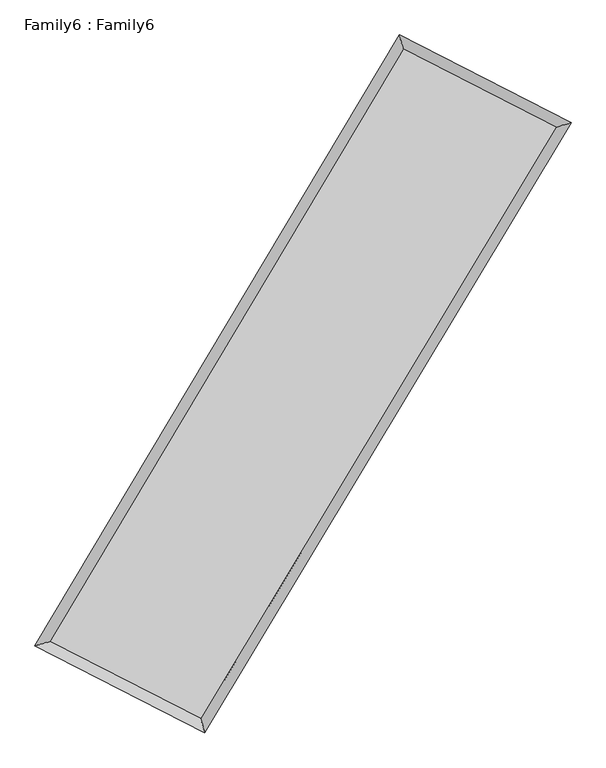
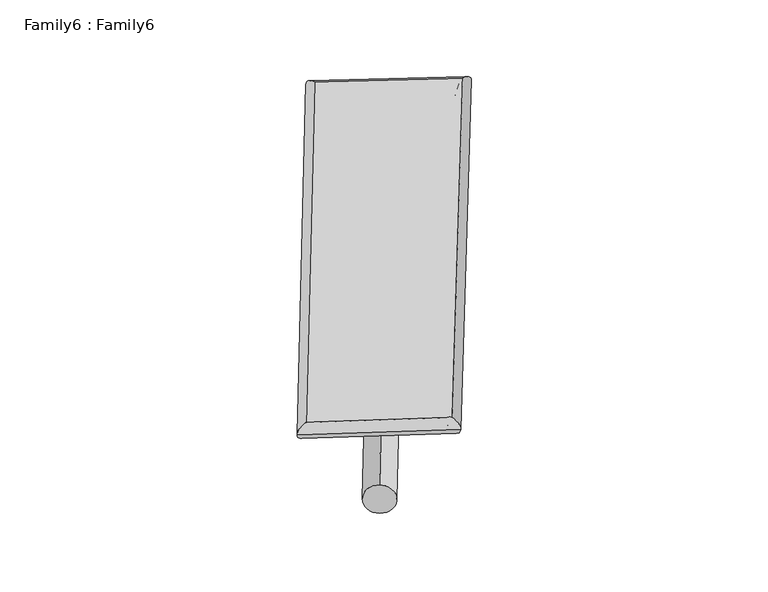
"""IFC4 building model written with IfcOpenShell, lengths in millimetres: plate geometry, Family6 : Family6."""

from ifc_helpers import new_model, si_unit, point, frame, origin, origin_2d, place, context, project, spatial, circle_curve, ellipse_curve, trimmed, segment, composite_curve, outline, extrude, source, transform, mapped, element, save
from ifc_brep_helpers import plane_surface, cylinder_surface, spline_surface, advanced_brep


def family6_family6_5f91de89(model_context):
    return source(origin(), model_context, "Body", "SolidModel", [
        extrude(outline(composite_curve([segment(trimmed(circle_curve(origin_2d(), 76.2), [point((-75.4341514, -10.7763073))], [point((75.4341514, 10.7763073))], False, "CARTESIAN"), True, "CONTINUOUS"), segment(trimmed(circle_curve(origin_2d(), 76.2), [point((75.4341514, 10.7763073))], [point((-75.4341514, -10.7763073))], False, "CARTESIAN"), True, "CONTINUOUS")], self_intersect=False)), frame((9144.0, 9144.0, 0.0), z_axis=(0.6775245962626227, 0.6848047570131258, 0.2683334981536295), x_axis=(-0.6765777347355703, 0.7233685867658852, -0.13776957770280931)), (0.0, 0.0, 1.0), 5649.8326427),
        extrude(outline(composite_curve([segment(trimmed(circle_curve(origin_2d(), 76.2), [point((-53.8815368, 53.8815367))], [point((53.8815368, -53.8815367))], False, "CARTESIAN"), True, "CONTINUOUS"), segment(trimmed(circle_curve(origin_2d(), 76.2), [point((53.8815368, -53.8815367))], [point((-53.8815368, 53.8815367))], False, "CARTESIAN"), True, "CONTINUOUS")], self_intersect=False)), frame((9144.0, 9144.0, 0.0), z_axis=(-0.6753762356638977, -0.6868803312944847, 0.2684443159786447), x_axis=(0.6382304034107955, -0.3620133544387516, 0.6794176060201091)), (0.0, 0.0, 1.0), 5646.9376294),
        extrude(outline(composite_curve([segment(trimmed(circle_curve(origin_2d(), 76.2), [point((-53.8815367, -53.8815367))], [point((53.8815367, 53.8815367))], False, "CARTESIAN"), True, "CONTINUOUS"), segment(trimmed(circle_curve(origin_2d(), 76.2), [point((53.8815367, 53.8815367))], [point((-53.8815367, -53.8815367))], False, "CARTESIAN"), True, "CONTINUOUS")], self_intersect=False)), frame((9144.0, 9144.0, 0.0), z_axis=(0.27557645721864454, 0.9200805072778868, 0.2784052376556288), x_axis=(-0.8403203419095524, 0.37122145167556, -0.3950396901437916)), (0.0, 0.0, 1.0), 5491.9772048),
        extrude(outline(composite_curve([segment(trimmed(circle_curve(origin_2d(), 76.2), [point((-75.4341514, 10.7763074))], [point((75.4341514, -10.7763074))], False, "CARTESIAN"), True, "CONTINUOUS"), segment(trimmed(circle_curve(origin_2d(), 76.2), [point((75.4341514, -10.7763074))], [point((-75.4341514, 10.7763074))], False, "CARTESIAN"), True, "CONTINUOUS")], self_intersect=False)), frame((9144.0, 9144.0, 0.0), z_axis=(-0.2785505662988911, -0.9191389670946595, 0.2785554544120967), x_axis=(0.8767200014173767, -0.12492470162678118, 0.46449527235287846)), (0.0, 0.0, 1.0), 5488.8777378),
        advanced_brep(
        [(5115.9324893, 5203.501461, 1516.8778876), (5544.4582211, 5326.9661477, 1517.2128566), (5544.4525524, 5326.9577596, 1514.8987309), (10715.188204, 13996.3447122, 1527.6205193), (10599.7310384, 14397.7776329, 1530.3699185), (5115.9268205, 5203.4930729, 1514.563762), (12757.2259066, 12951.6727146, 1516.1895263), (13186.5752537, 13074.3918254, 1515.8891877), (7557.6922785, 4299.3501942, 1528.7276955), (7672.4477171, 3898.566977, 1529.1859694)],
        [
            (0, 1, ellipse_curve(frame((5330.1925208, 5265.2296103, 1515.8883093), z_axis=(-0.27685010114762765, 0.9609090249743872, -0.002804856024947353), x_axis=(-0.9609003233187386, -0.276860298670204, -0.004352432215344423)), 222.9867435, 152.4)),
            (1, 2, ellipse_curve(frame((5330.1925208, 5265.2296103, 1515.8883093), z_axis=(-0.27685010114762765, 0.9609090249743872, -0.002804856024947353), x_axis=(-0.9609003233187386, -0.276860298670204, -0.004352432215344423)), 222.9867435, 152.4)),
            (2, 3),
            (3, 4, ellipse_curve(frame((10657.4596212, 14197.0611726, 1528.9952189), z_axis=(-0.961032793567386, -0.2764226127190081, 0.002551247863887433), x_axis=(0.27640943716720145, -0.9610291246354322, -0.00456559386781172)), 208.858163, 152.4)),
            (4, 0),
            (2, 5, ellipse_curve(frame((5330.1925208, 5265.2296103, 1515.8883093), z_axis=(-0.27685010114762765, 0.9609090249743872, -0.002804856024947353), x_axis=(-0.9609003233187386, -0.276860298670204, -0.004352432215344423)), 222.9867435, 152.4)),
            (5, 0, ellipse_curve(frame((5330.1925208, 5265.2296103, 1515.8883093), z_axis=(-0.27685010114762765, 0.9609090249743872, -0.002804856024947353), x_axis=(-0.9609003233187386, -0.276860298670204, -0.004352432215344423)), 222.9867435, 152.4)),
            (4, 3, ellipse_curve(frame((10657.4596212, 14197.0611726, 1528.9952189), z_axis=(-0.961032793567386, -0.2764226127190081, 0.002551247863887433), x_axis=(0.27640943716720145, -0.9610291246354322, -0.00456559386781172)), 208.858163, 152.4)),
            (3, 6),
            (6, 7, ellipse_curve(frame((12971.9005802, 13013.03227, 1516.039357), z_axis=(-0.2748174300835271, 0.961492521472573, 0.00274067046525353), x_axis=(-0.9614842027071943, -0.2748271932810847, 0.004259316582778563)), 223.2733039, 152.4)),
            (7, 4),
            (7, 6, ellipse_curve(frame((12971.9005802, 13013.03227, 1516.039357), z_axis=(-0.2748174300835271, 0.961492521472573, 0.00274067046525353), x_axis=(-0.9614842027071943, -0.2748271932810847, 0.004259316582778563)), 223.2733039, 152.4)),
            (6, 8),
            (8, 9, ellipse_curve(frame((7615.0699978, 4098.9585856, 1528.9568325), z_axis=(0.9613638210695111, 0.27526834811173173, 0.0026344005897685485), x_axis=(-0.27525457431910816, 0.9613601587652032, -0.004643754445486891)), 208.445502, 152.4)),
            (9, 7),
            (9, 8, ellipse_curve(frame((7615.0699978, 4098.9585856, 1528.9568325), z_axis=(0.9613638210695111, 0.27526834811173173, 0.0026344005897685485), x_axis=(-0.27525457431910816, 0.9613601587652032, -0.004643754445486891)), 208.445502, 152.4)),
            (8, 1),
            (5, 9),
        ],
        [
            cylinder_surface(frame((5330.1925208, 5265.2296103, 1515.8883093), z_axis=(-0.5122429953096754, -0.8588396389403932, -0.0012602939764064405), x_axis=(-0.8588189914737953, 0.5122191767011643, 0.007839317796500952)), 152.4),
            cylinder_surface(frame((10657.4596212, 14197.0611726, 1528.9952189), z_axis=(-0.8902532788536697, 0.4554385406346647, 0.0049834922351122985), x_axis=(0.455459187318804, 0.8902460353610673, 0.0043503115746093435)), 152.4),
            cylinder_surface(frame((12971.9005802, 13013.03227, 1516.039357), z_axis=(0.5150881729808354, 0.8571362967930796, -0.0012420849854088093), x_axis=(0.8571371275210738, -0.5150881729808354, 0.00034449990930980184)), 152.4),
            cylinder_surface(frame((7615.0699978, 4098.9585856, 1528.9568325), z_axis=(0.890668678789537, -0.4546244090427292, 0.005094244384599763), x_axis=(-0.4546131602351156, -0.89068305905012, -0.003250055716727337)), 152.4),
        ],
        [
            (0, [[1, 2, 3, 4, 5]]),
            (0, [[6, 7, -5, 8, -3]]),
            (1, [[-4, 9, 10, 11]]),
            (1, [[-8, -11, 12, -9]]),
            (2, [[-10, 13, 14, 15]]),
            (2, [[-12, -15, 16, -13]]),
            (3, [[-14, 17, -1, -7, 18]]),
            (3, [[-16, -18, -6, -2, -17]]),
        ],
    ),
        extrude(outline(composite_curve([segment(trimmed(circle_curve(origin_2d(), 304.8), [point((0.0, 304.8))], [point((0.0, -304.8))], False, "CARTESIAN"), True, "CONTINUOUS"), segment(trimmed(circle_curve(origin_2d(), 304.8), [point((0.0, -304.8))], [point((0.0, 304.8))], False, "CARTESIAN"), True, "CONTINUOUS")], self_intersect=False)), frame((11820.8761105, 13633.7678442, -0.0007987), z_axis=(-0.5121045902798866, -0.858923098195785, 1.5280196600716445e-07), x_axis=(-0.8589230981957976, 0.5121045902798866, -4.209458060530195e-08)), (0.0, 0.0, 1.0), 10454.4117014),
        advanced_brep(
        [(5330.1925208, 5265.2296103, 1515.8883093), (7615.0699978, 4098.9585856, 1528.9568325), (7615.0709151, 4098.9563934, 1681.3568324), (5330.1934382, 5265.2274181, 1668.2883093), (12971.9005802, 13013.03227, 1516.039357), (12971.9014975, 13013.0300778, 1668.439357), (10657.4596212, 14197.0611726, 1528.9952189), (10657.4605386, 14197.0589804, 1681.3952189)],
        [
            (0, 1),
            (1, 2),
            (2, 3),
            (3, 0),
            (1, 4),
            (4, 5),
            (5, 2),
            (4, 6),
            (6, 7),
            (7, 5),
            (6, 0),
            (3, 7),
        ],
        [
            plane_surface(frame((6472.6312593, 4682.094098, 1522.4225709), z_axis=(-0.45463026247112726, -0.8906802593208852, -1.0075465333470989e-05), x_axis=(0.890668678789537, -0.45462440904272905, 0.005094244384599766))),
            plane_surface(frame((10293.485289, 8555.9954278, 1522.4980947), z_axis=(0.8571369498691822, -0.515088583654291, -1.2568663802911095e-05), x_axis=(0.5150881729808352, 0.8571362967930796, -0.0012420849854088084))),
            plane_surface(frame((11814.6801007, 13605.0467213, 1522.5172879), z_axis=(0.4554442408227279, 0.8902643109774273, 1.0064582533268317e-05), x_axis=(-0.8902532788536696, 0.4554385406346648, 0.0049834922351122985))),
            plane_surface(frame((7993.826071, 9731.1453914, 1522.4417641), z_axis=(-0.8588403290330138, 0.5122433885071274, 1.2537990141930325e-05), x_axis=(-0.5122429953096755, -0.8588396389403932, -0.0012602939764064388))),
            spline_surface(1, 1, [[(7615.0709151, 4098.9563934, 1681.3568324), (5330.1934382, 5265.2274181, 1668.2883093)], [(12971.9014975, 13013.0300778, 1668.439357), (10657.4605386, 14197.0589804, 1681.3952189)]], [2, 2], [2, 2], [0.0, 1.0], [0.0, 1.0]),
            spline_surface(1, 1, [[(10657.4596212, 14197.0611726, 1528.9952189), (5330.1925208, 5265.2296103, 1515.8883093)], [(12971.9005802, 13013.03227, 1516.039357), (7615.0699978, 4098.9585856, 1528.9568325)]], [2, 2], [2, 2], [0.0, 1.0], [0.0, 1.0]),
        ],
        [
            (0, [[1, 2, 3, 4]]),
            (1, [[5, 6, 7, -2]]),
            (2, [[8, 9, 10, -6]]),
            (3, [[11, -4, 12, -9]]),
            (4, [[-3, -7, -10, -12]]),
            (5, [[-11, -8, -5, -1]]),
        ],
    ),
    ])


if __name__ == "__main__":
    model = new_model("IFC4")
    model_context = context("Model", 3, world=origin())
    ifc_project = project(units=[si_unit("LENGTHUNIT", "METRE", prefix="MILLI")], contexts=[model_context])
    site = spatial("IfcSite", under=ifc_project)
    building = spatial("IfcBuilding", under=site)
    placement = place(None, origin())
    family6_family6_shape = family6_family6_5f91de89(model_context)
    element("IfcPlate", 1, ObjectType="Family6 : Family6", at=placement, inside=building, context=model_context, shape_type="MappedRepresentation", body=[
        mapped(family6_family6_shape, transform((0.0, 0.0, 0.0), x_axis=(1.0, 0.0, 0.0), y_axis=(0.0, 1.0, 0.0), z_axis=(0.0, 0.0, 1.0))),
    ])
    save(model, "model.ifc")
